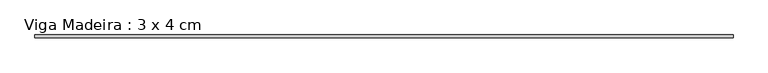
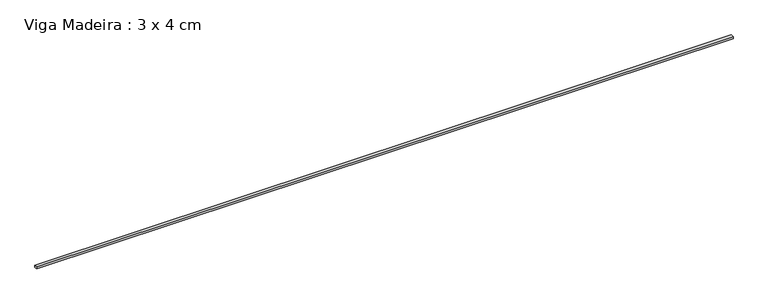
"""IFC4 building model written with IfcOpenShell, lengths in millimetres: beam geometry, Viga Madeira : 3 x 4 cm."""

from ifc_helpers import new_model, si_unit, frame, origin, place, context, project, spatial, polyline, outline, extrude, source, transform, mapped, element, save


def viga_madeira_3_x_4_cm_24b3df7a(model_context):
    return source(origin(), model_context, "Body", "SweptSolid", [
        extrude(outline(polyline([(4565.9601112, 20.0), (4565.9601112, -20.0), (-4565.9601112, -20.0), (-4565.9601112, 20.0), (4565.9601112, 20.0)])), frame((0.0, 0.0, -15.0), z_axis=(0.0, 0.0, 1.0), x_axis=(1.0, 0.0, 0.0)), (0.0, 0.0, 1.0), 30.0),
    ])


if __name__ == "__main__":
    model = new_model("IFC4")
    model_context = context("Model", 3, world=origin())
    ifc_project = project(units=[si_unit("LENGTHUNIT", "METRE", prefix="MILLI")], contexts=[model_context])
    site = spatial("IfcSite", under=ifc_project)
    building = spatial("IfcBuilding", under=site)
    placement = place(None, origin())
    viga_madeira_3_x_4_cm_shape = viga_madeira_3_x_4_cm_24b3df7a(model_context)
    element("IfcBeam", 1, ObjectType="Viga Madeira : 3 x 4 cm", at=placement, inside=building, context=model_context, shape_type="MappedRepresentation", body=[
        mapped(viga_madeira_3_x_4_cm_shape, transform((0.0, 0.0, 0.0), x_axis=(1.0, 0.0, 0.0), y_axis=(0.0, 1.0, 0.0), z_axis=(0.0, 0.0, 1.0))),
    ])
    save(model, "model.ifc")
